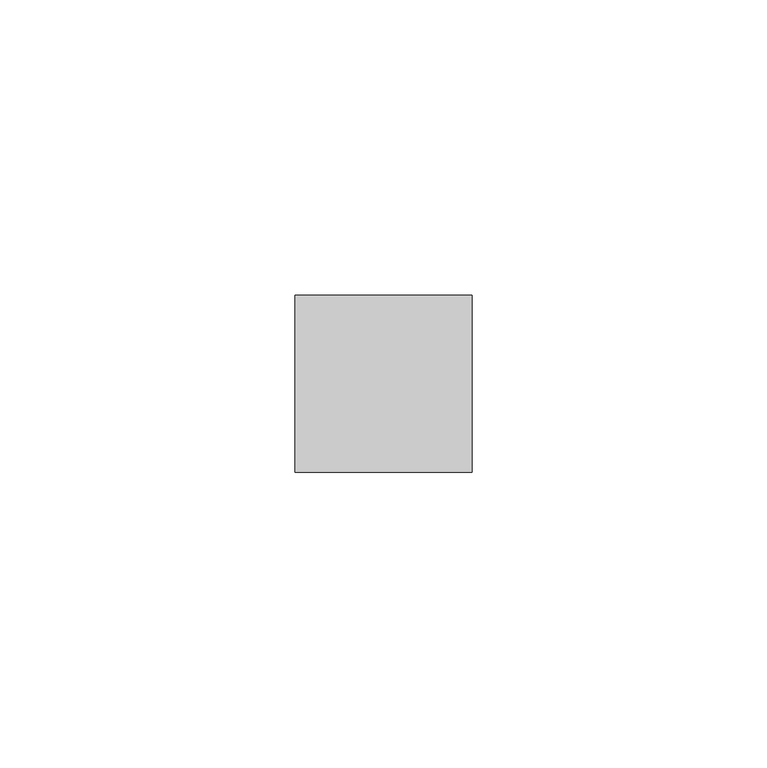
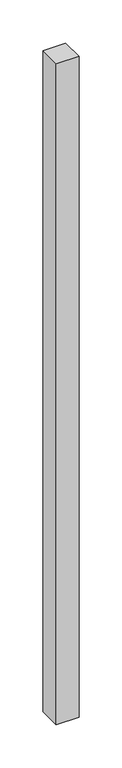
"""IFC4 building model written with IfcOpenShell, lengths in millimetres: member geometry."""

from ifc_helpers import new_model, si_unit, frame, origin, place, context, project, spatial, polyline, outline, extrude, source, transform, mapped, element, save


def member_56de2b4e(model_context):
    return source(origin(), model_context, "Body", "SweptSolid", [
        extrude(outline(polyline([(15.0, 15.0), (15.0, -15.0), (-15.0, -15.0), (-15.0, 15.0), (15.0, 15.0)])), frame((0.0, 0.0, -928.5714286), z_axis=(0.0, 0.0, 1.0), x_axis=(1.0, 0.0, 0.0)), (0.0, 0.0, 1.0), 928.5714286),
    ])


if __name__ == "__main__":
    model = new_model("IFC4")
    model_context = context("Model", 3, world=origin())
    ifc_project = project(units=[si_unit("LENGTHUNIT", "METRE", prefix="MILLI")], contexts=[model_context])
    site = spatial("IfcSite", under=ifc_project)
    building = spatial("IfcBuilding", under=site)
    placement = place(None, origin())
    member_shape = member_56de2b4e(model_context)
    element("IfcMember", 1, at=placement, inside=building, context=model_context, shape_type="MappedRepresentation", body=[
        mapped(member_shape, transform((0.0, 0.0, 0.0), x_axis=(1.0, 0.0, 0.0), y_axis=(0.0, 1.0, 0.0), z_axis=(0.0, 0.0, 1.0))),
    ])
    save(model, "model.ifc")
